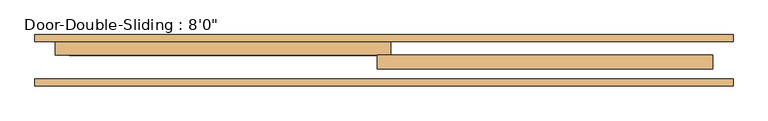
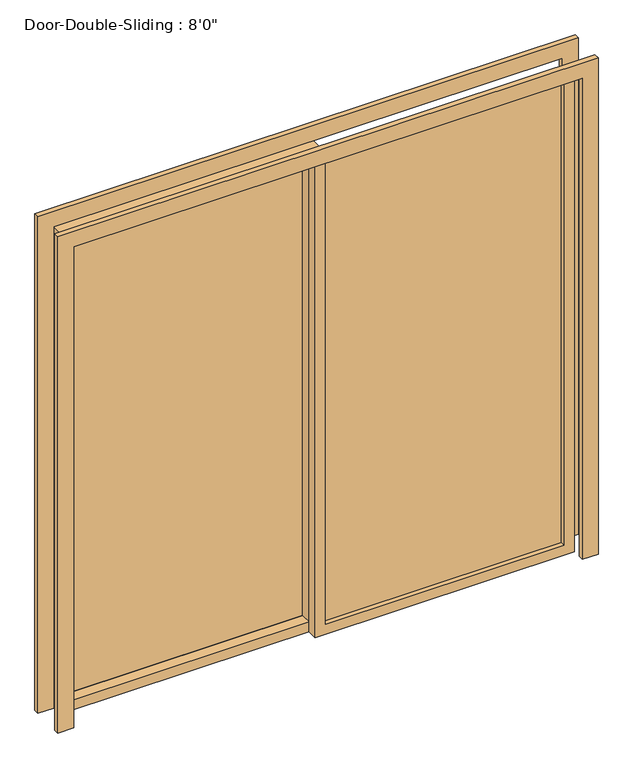
"""IFC4 building model written with IfcOpenShell, lengths in millimetres: door geometry."""

from ifc_helpers import new_model, si_unit, frame, origin, place, context, project, spatial, polyline, outline, extrude, source, transform, mapped, element, save


def door_ece25647(model_context):
    return source(origin(), model_context, "Body", "SweptSolid", [
        extrude(outline(polyline([(0.0, -1295.4), (0.0, -1219.2), (2438.4, -1219.2), (2438.4, 1219.2), (0.0, 1219.2), (0.0, 1295.4), (2514.6, 1295.4), (2514.6, -1295.4), (0.0, -1295.4)])), frame((0.0, 31.75, 0.0), z_axis=(0.0, 1.0, 0.0), x_axis=(0.0, 0.0, 1.0)), (0.0, 0.0, 1.0), 25.4),
        extrude(outline(polyline([(0.0, 1295.4), (2514.6, 1295.4), (2514.6, -1295.4), (0.0, -1295.4), (0.0, -1219.2), (2438.4, -1219.2), (2438.4, 1219.2), (0.0, 1219.2), (0.0, 1295.4)])), frame((0.0, 196.85, 0.0), z_axis=(0.0, 1.0, 0.0), x_axis=(0.0, 0.0, 1.0)), (0.0, 0.0, 1.0), 25.4),
        extrude(outline(polyline([(2438.4, -25.4), (0.0, -25.4), (0.0, 1219.2), (2438.4, 1219.2), (2438.4, -25.4)]), holes=[polyline([(2387.6, 25.4), (2387.6, 1168.4), (50.8, 1168.4), (50.8, 25.4), (2387.6, 25.4)])]), frame((0.0, 95.25, 0.0), z_axis=(0.0, 1.0, 0.0), x_axis=(0.0, 0.0, 1.0)), (0.0, 0.0, 1.0), 50.8),
        extrude(outline(polyline([(2438.4, 25.4), (2438.4, -1219.2), (0.0, -1219.2), (0.0, 25.4), (2438.4, 25.4)]), holes=[polyline([(2387.6, -25.4), (50.8, -25.4), (50.8, -1168.4), (2387.6, -1168.4), (2387.6, -25.4)])]), frame((0.0, 146.05, 0.0), z_axis=(0.0, 1.0, 0.0), x_axis=(0.0, 0.0, 1.0)), (0.0, 0.0, 1.0), 50.8),
        extrude(outline(polyline([(25.4, 123.825), (1168.4, 123.825), (1168.4, 117.475), (25.4, 117.475), (25.4, 123.825)])), frame((0.0, 0.0, 50.8), z_axis=(0.0, 0.0, 1.0), x_axis=(1.0, 0.0, 0.0)), (0.0, 0.0, 1.0), 2336.8),
        extrude(outline(polyline([(-25.4, 200.025), (-1168.4, 200.025), (-1168.4, 206.375), (-25.4, 206.375), (-25.4, 200.025)])), frame((0.0, 0.0, 50.8), z_axis=(0.0, 0.0, 1.0), x_axis=(1.0, 0.0, 0.0)), (0.0, 0.0, 1.0), 2336.8),
    ])


if __name__ == "__main__":
    model = new_model("IFC4")
    model_context = context("Model", 3, world=origin())
    ifc_project = project(units=[si_unit("LENGTHUNIT", "METRE", prefix="MILLI")], contexts=[model_context])
    site = spatial("IfcSite", under=ifc_project)
    building = spatial("IfcBuilding", under=site)
    placement = place(None, origin())
    door_shape = door_ece25647(model_context)
    element("IfcDoor", 1, ObjectType="Door-Double-Sliding : 8'0\"", at=placement, inside=building, context=model_context, shape_type="MappedRepresentation", body=[
        mapped(door_shape, transform((0.0, 0.0, 0.0), x_axis=(1.0, 0.0, 0.0), y_axis=(0.0, 1.0, 0.0), z_axis=(0.0, 0.0, 1.0))),
    ])
    save(model, "model.ifc")
